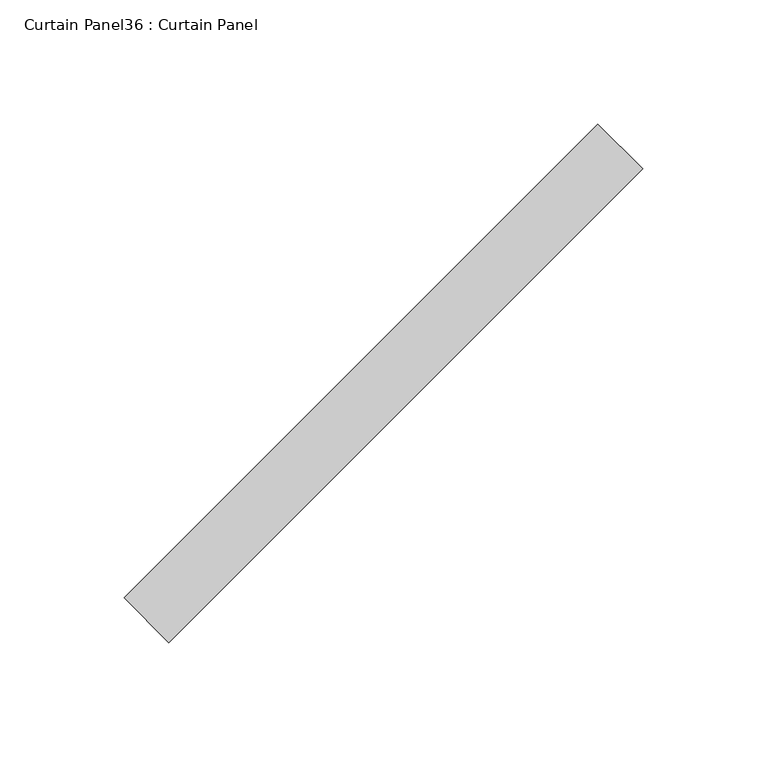
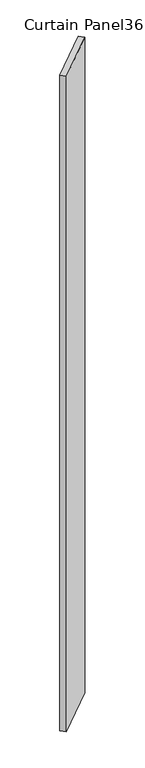
"""IFC4 building model written with IfcOpenShell, lengths in millimetres: plate geometry, Curtain Panel36 : Curtain Panel."""

import ifcopenshell
import ifcopenshell.guid

model = None  # the IFC model being written
_history = None  # IfcOwnerHistory: only IFC2X3 demands one
_inside = {}  # id of a spatial element -> (the spatial element, [elements in it])
_under = {}  # id of a project, library or spatial element -> (it, [spatial elements below it])
_declared = {}  # id of a project -> (the project, [libraries it declares])
_typed = {}  # id of a type object -> (the type object, [elements of that type])
_made_of = {}  # id of a material, layer set ... -> (it, [elements and type objects made of it])


def new_model(schema):
    """Start an empty IFC model of exactly this schema.

    Asked for "IFC4X3", IfcOpenShell would pick the latest addendum, in which some entities
    have other attributes; the version numbers below select the first issue.
    IFC2X3 requires an IfcOwnerHistory on every rooted entity: one is made here for all.
    """
    global model, _history
    if schema == "IFC4X3":
        model = ifcopenshell.file(schema_version=(4, 3, 0, 0))
    else:
        model = ifcopenshell.file(schema=schema)
    _inside.clear()
    _under.clear()
    _declared.clear()
    _typed.clear()
    _made_of.clear()
    _history = None
    if model.schema == "IFC2X3":
        org = make("IfcOrganization", Name="unknown")
        user = make(
            "IfcPersonAndOrganization",
            ThePerson=make("IfcPerson", FamilyName="unknown"),
            TheOrganization=org,
        )
        app = make(
            "IfcApplication",
            ApplicationDeveloper=org,
            Version="unknown",
            ApplicationFullName="unknown",
            ApplicationIdentifier="unknown",
        )
        _history = make(
            "IfcOwnerHistory",
            OwningUser=user,
            OwningApplication=app,
            ChangeAction="ADDED",
            CreationDate=0,
        )
    return model


def make(cls, **values):
    """One entity of the class cls with the attributes given. An attribute that is None is left unset."""
    return model.create_entity(
        cls, **{name: value for name, value in values.items() if value is not None}
    )


def rooted(cls, **values):
    """An entity with a GlobalId (a new one), such as an element, a storey or a relation."""
    return make(cls, GlobalId=ifcopenshell.guid.new(), OwnerHistory=_history, **values)


def si_unit(unit_type, name, prefix=None):
    """IfcSIUnit, for example si_unit("LENGTHUNIT", "METRE", prefix="MILLI")."""
    return make("IfcSIUnit", UnitType=unit_type, Prefix=prefix, Name=name)


def assignment(units):
    """IfcUnitAssignment: the units of a project."""
    return None if units is None else make("IfcUnitAssignment", Units=units)


def point(xyz):
    """IfcCartesianPoint."""
    return None if xyz is None else make("IfcCartesianPoint", Coordinates=xyz)


def direction(xyz):
    """IfcDirection."""
    return None if xyz is None else make("IfcDirection", DirectionRatios=xyz)


def frame(location, z_axis=None, x_axis=None):
    """IfcAxis2Placement3D, a coordinate frame: its origin and axes. An axis left out is left unset."""
    return make(
        "IfcAxis2Placement3D",
        Location=point(location),
        Axis=direction(z_axis),
        RefDirection=direction(x_axis),
    )


def origin():
    """The frame at (0, 0, 0) with its axes left unset."""
    return frame((0.0, 0.0, 0.0))


def place(relative_to, where):
    """IfcLocalPlacement: puts the frame where relative to a parent placement (None: the world)."""
    return make(
        "IfcLocalPlacement", PlacementRelTo=relative_to, RelativePlacement=where
    )


def context(
    kind, dimensions, precision=None, world=None, true_north=None, identifier=None
):
    """IfcGeometricRepresentationContext, for example the 3D "Model" context."""
    return make(
        "IfcGeometricRepresentationContext",
        ContextIdentifier=identifier,
        ContextType=kind,
        CoordinateSpaceDimension=dimensions,
        Precision=precision,
        WorldCoordinateSystem=world,
        TrueNorth=true_north,
    )


def project(units=None, contexts=None):
    """IfcProject with its units and contexts."""
    return rooted(
        "IfcProject",
        Name="project",
        RepresentationContexts=contexts,
        UnitsInContext=assignment(units),
    )


def spatial(cls, under=None, at=None, **own):
    """A site, building, storey or space (cls), placed at a placement, below another one or the project."""
    s = rooted(cls, ObjectPlacement=at, **own)
    if under is not None:
        _under.setdefault(under.id(), (under, []))[1].append(s)
    return s


def polyline(points):
    """IfcPolyline through the points."""
    return make("IfcPolyline", Points=[point(p) for p in points])


def outline(outer, holes=None, kind="AREA"):
    """IfcArbitraryClosedProfileDef: a profile drawn as a closed curve; with holes, ...WithVoids."""
    if holes is None:
        return make("IfcArbitraryClosedProfileDef", ProfileType=kind, OuterCurve=outer)
    return make(
        "IfcArbitraryProfileDefWithVoids",
        ProfileType=kind,
        OuterCurve=outer,
        InnerCurves=holes,
    )


def extrude(swept, where, along, depth):
    """IfcExtrudedAreaSolid: the profile swept, set in the frame where, extruded along a direction by depth."""
    return make(
        "IfcExtrudedAreaSolid",
        SweptArea=swept,
        Position=where,
        ExtrudedDirection=direction(along),
        Depth=depth,
    )


def shape(context_of_items, identifier, shape_type, items):
    """IfcShapeRepresentation: the items that make up one representation, for example the "Body"."""
    return make(
        "IfcShapeRepresentation",
        ContextOfItems=context_of_items,
        RepresentationIdentifier=identifier,
        RepresentationType=shape_type,
        Items=items,
    )


def source(mapping_origin, context_of_items, identifier, shape_type, items):
    """IfcRepresentationMap: a shape defined once, which mapped items show again and again."""
    return make(
        "IfcRepresentationMap",
        MappingOrigin=mapping_origin,
        MappedRepresentation=shape(context_of_items, identifier, shape_type, items),
    )


def transform(
    local_origin,
    x_axis=None,
    y_axis=None,
    z_axis=None,
    scale=None,
    scale2=None,
    scale3=None,
    uniform=True,
):
    """IfcCartesianTransformationOperator3D, or its non-uniform kind. x_axis, y_axis, z_axis: its Axis1, 2, 3."""
    if uniform:
        return make(
            "IfcCartesianTransformationOperator3D",
            Axis1=direction(x_axis),
            Axis2=direction(y_axis),
            LocalOrigin=point(local_origin),
            Scale=scale,
            Axis3=direction(z_axis),
        )
    return make(
        "IfcCartesianTransformationOperator3DnonUniform",
        Axis1=direction(x_axis),
        Axis2=direction(y_axis),
        LocalOrigin=point(local_origin),
        Scale=scale,
        Axis3=direction(z_axis),
        Scale2=scale2,
        Scale3=scale3,
    )


def mapped(mapping_source, mapping_target):
    """IfcMappedItem: shows the shape of a source again, moved by a transform."""
    return make(
        "IfcMappedItem", MappingSource=mapping_source, MappingTarget=mapping_target
    )


def made_of(thing, what):
    """Note that an element or type object is made of a material, layer set ...; save() writes the relation."""
    if what is not None:
        _made_of.setdefault(what.id(), (what, []))[1].append(thing)
    return thing


def element(
    cls,
    number,
    at=None,
    inside=None,
    cuts=None,
    type_object=None,
    material=None,
    context=None,
    identifier="Body",
    shape_type=None,
    held_by="IfcProductDefinitionShape",
    body=None,
    shapes=None,
    **own,
):
    """One element of the class cls, such as IfcWall. Its Tag is "e" and its number.

    at: its placement. inside: the storey or other place that contains it. cuts: it is an
    opening in that element (IfcRelVoidsElement). A single representation is given by context,
    identifier, shape_type and body (its items); several are given by shapes. held_by: the class
    of the entity that holds the representations. save() writes the other relations.
    """
    e = rooted(cls, Tag="e%d" % number, ObjectPlacement=at, **own)
    if body is not None:
        shapes = [shape(context, identifier, shape_type, body)]
    if shapes is not None:
        e.Representation = make(held_by, Representations=shapes)
    if inside is not None:
        _inside.setdefault(inside.id(), (inside, []))[1].append(e)
    if cuts is not None:
        rooted(
            "IfcRelVoidsElement", RelatingBuildingElement=cuts, RelatedOpeningElement=e
        )
    if type_object is not None:
        _typed.setdefault(type_object.id(), (type_object, []))[1].append(e)
    return made_of(e, material)


def aggregate(whole, parts):
    """IfcRelAggregates: a whole, such as a stair, and the parts it consists of."""
    return rooted("IfcRelAggregates", RelatingObject=whole, RelatedObjects=parts)


def save(model, path):
    """Write the relations noted so far, then the file.

    IfcRelAggregates (storeys below a building ...), IfcRelContainedInSpatialStructure (elements
    in a storey), IfcRelDefinesByType, IfcRelAssociatesMaterial and IfcRelDeclares: one each for
    every whole, place, type object, material and project.
    """
    for whole, parts in _under.values():
        aggregate(whole, parts)
    for where, things in _inside.values():
        rooted(
            "IfcRelContainedInSpatialStructure",
            RelatedElements=things,
            RelatingStructure=where,
        )
    for kind, things in _typed.values():
        rooted("IfcRelDefinesByType", RelatedObjects=things, RelatingType=kind)
    for what, things in _made_of.values():
        rooted("IfcRelAssociatesMaterial", RelatedObjects=things, RelatingMaterial=what)
    for by, libraries in _declared.values():
        rooted("IfcRelDeclares", RelatingContext=by, RelatedDefinitions=libraries)
    model.write(path)


def curtain_panel36_curtain_panel_e9a8fc3e(model_context):
    return source(origin(), model_context, "Body", "SweptSolid", [
        extrude(outline(polyline([(49773.1880788, 2492.8228024), (49582.3608152, 2301.9955387), (49564.4003029, 2319.956051), (49755.2275665, 2510.7833146), (49773.1880788, 2492.8228024)])), frame((0.0, 0.0, -626.2681873), z_axis=(0.0, 0.0, 1.0), x_axis=(1.0, 0.0, 0.0)), (0.0, 0.0, 1.0), 3048.0),
    ])


if __name__ == "__main__":
    model = new_model("IFC4")
    model_context = context("Model", 3, world=origin())
    ifc_project = project(units=[si_unit("LENGTHUNIT", "METRE", prefix="MILLI")], contexts=[model_context])
    site = spatial("IfcSite", under=ifc_project)
    building = spatial("IfcBuilding", under=site)
    placement = place(None, origin())
    curtain_panel36_curtain_panel_shape = curtain_panel36_curtain_panel_e9a8fc3e(model_context)
    element("IfcPlate", 1, ObjectType="Curtain Panel36 : Curtain Panel", at=placement, inside=building, context=model_context, shape_type="MappedRepresentation", body=[
        mapped(curtain_panel36_curtain_panel_shape, transform((0.0, 0.0, 0.0), x_axis=(1.0, 0.0, 0.0), y_axis=(0.0, 1.0, 0.0), z_axis=(0.0, 0.0, 1.0))),
    ])
    save(model, "model.ifc")
